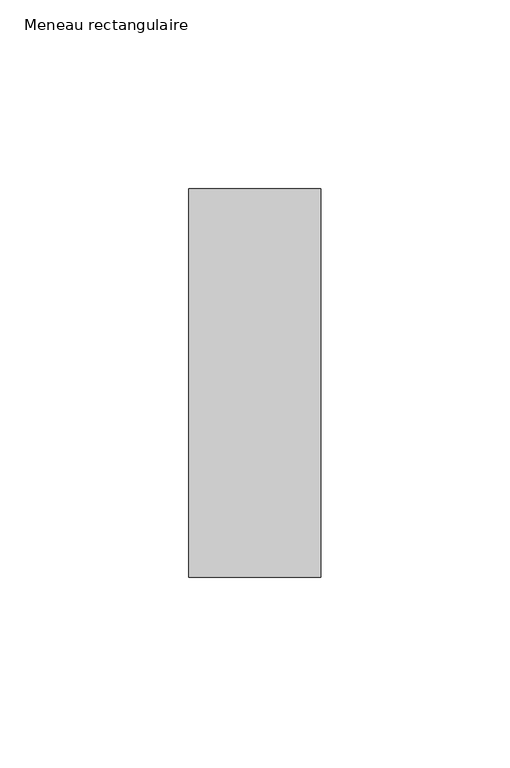
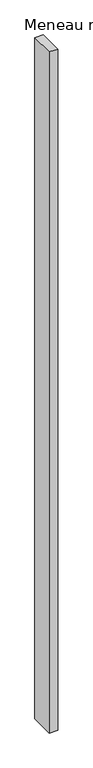
"""IFC4 building model written with IfcOpenShell, lengths in millimetres: member geometry, Meneau rectangulaire."""

from ifc_helpers import new_model, si_unit, frame, origin, place, context, project, spatial, polyline, outline, extrude, source, transform, mapped, element, save


def meneau_rectangulaire_0948f05a(model_context):
    return source(origin(), model_context, "Body", "SweptSolid", [
        extrude(outline(polyline([(-35.0562434, -51.4988742), (-35.0562434, 51.4988742), (0.0, 51.4988742), (0.0, -51.4988742), (-35.0562434, -51.4988742)])), frame((0.0, 0.0, -3000.0), z_axis=(0.0, 0.0, 1.0), x_axis=(1.0, 0.0, 0.0)), (0.0, 0.0, 1.0), 3000.0),
    ])


if __name__ == "__main__":
    model = new_model("IFC4")
    model_context = context("Model", 3, world=origin())
    ifc_project = project(units=[si_unit("LENGTHUNIT", "METRE", prefix="MILLI")], contexts=[model_context])
    site = spatial("IfcSite", under=ifc_project)
    building = spatial("IfcBuilding", under=site)
    placement = place(None, origin())
    meneau_rectangulaire_shape = meneau_rectangulaire_0948f05a(model_context)
    element("IfcMember", 1, ObjectType="Meneau rectangulaire", at=placement, inside=building, context=model_context, shape_type="MappedRepresentation", body=[
        mapped(meneau_rectangulaire_shape, transform((0.0, 0.0, 0.0), x_axis=(1.0, 0.0, 0.0), y_axis=(0.0, 1.0, 0.0), z_axis=(0.0, 0.0, 1.0))),
    ])
    save(model, "model.ifc")
